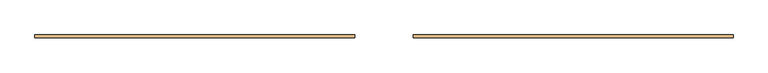
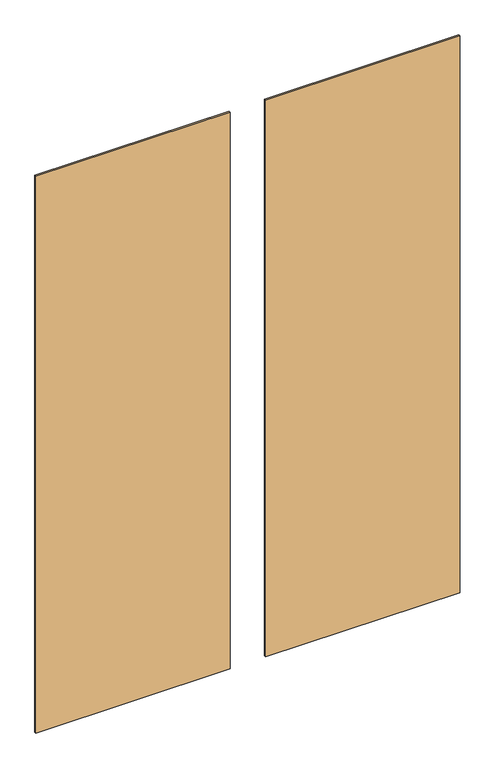
"""IFC4 building model written with IfcOpenShell, lengths in millimetres: door geometry."""

import ifcopenshell
import ifcopenshell.guid

model = None  # the IFC model being written
_history = None  # IfcOwnerHistory: only IFC2X3 demands one
_inside = {}  # id of a spatial element -> (the spatial element, [elements in it])
_under = {}  # id of a project, library or spatial element -> (it, [spatial elements below it])
_declared = {}  # id of a project -> (the project, [libraries it declares])
_typed = {}  # id of a type object -> (the type object, [elements of that type])
_made_of = {}  # id of a material, layer set ... -> (it, [elements and type objects made of it])


def new_model(schema):
    """Start an empty IFC model of exactly this schema.

    Asked for "IFC4X3", IfcOpenShell would pick the latest addendum, in which some entities
    have other attributes; the version numbers below select the first issue.
    IFC2X3 requires an IfcOwnerHistory on every rooted entity: one is made here for all.
    """
    global model, _history
    if schema == "IFC4X3":
        model = ifcopenshell.file(schema_version=(4, 3, 0, 0))
    else:
        model = ifcopenshell.file(schema=schema)
    _inside.clear()
    _under.clear()
    _declared.clear()
    _typed.clear()
    _made_of.clear()
    _history = None
    if model.schema == "IFC2X3":
        org = make("IfcOrganization", Name="unknown")
        user = make(
            "IfcPersonAndOrganization",
            ThePerson=make("IfcPerson", FamilyName="unknown"),
            TheOrganization=org,
        )
        app = make(
            "IfcApplication",
            ApplicationDeveloper=org,
            Version="unknown",
            ApplicationFullName="unknown",
            ApplicationIdentifier="unknown",
        )
        _history = make(
            "IfcOwnerHistory",
            OwningUser=user,
            OwningApplication=app,
            ChangeAction="ADDED",
            CreationDate=0,
        )
    return model


def make(cls, **values):
    """One entity of the class cls with the attributes given. An attribute that is None is left unset."""
    return model.create_entity(
        cls, **{name: value for name, value in values.items() if value is not None}
    )


def rooted(cls, **values):
    """An entity with a GlobalId (a new one), such as an element, a storey or a relation."""
    return make(cls, GlobalId=ifcopenshell.guid.new(), OwnerHistory=_history, **values)


def si_unit(unit_type, name, prefix=None):
    """IfcSIUnit, for example si_unit("LENGTHUNIT", "METRE", prefix="MILLI")."""
    return make("IfcSIUnit", UnitType=unit_type, Prefix=prefix, Name=name)


def assignment(units):
    """IfcUnitAssignment: the units of a project."""
    return None if units is None else make("IfcUnitAssignment", Units=units)


def point(xyz):
    """IfcCartesianPoint."""
    return None if xyz is None else make("IfcCartesianPoint", Coordinates=xyz)


def direction(xyz):
    """IfcDirection."""
    return None if xyz is None else make("IfcDirection", DirectionRatios=xyz)


def frame(location, z_axis=None, x_axis=None):
    """IfcAxis2Placement3D, a coordinate frame: its origin and axes. An axis left out is left unset."""
    return make(
        "IfcAxis2Placement3D",
        Location=point(location),
        Axis=direction(z_axis),
        RefDirection=direction(x_axis),
    )


def origin():
    """The frame at (0, 0, 0) with its axes left unset."""
    return frame((0.0, 0.0, 0.0))


def place(relative_to, where):
    """IfcLocalPlacement: puts the frame where relative to a parent placement (None: the world)."""
    return make(
        "IfcLocalPlacement", PlacementRelTo=relative_to, RelativePlacement=where
    )


def context(
    kind, dimensions, precision=None, world=None, true_north=None, identifier=None
):
    """IfcGeometricRepresentationContext, for example the 3D "Model" context."""
    return make(
        "IfcGeometricRepresentationContext",
        ContextIdentifier=identifier,
        ContextType=kind,
        CoordinateSpaceDimension=dimensions,
        Precision=precision,
        WorldCoordinateSystem=world,
        TrueNorth=true_north,
    )


def project(units=None, contexts=None):
    """IfcProject with its units and contexts."""
    return rooted(
        "IfcProject",
        Name="project",
        RepresentationContexts=contexts,
        UnitsInContext=assignment(units),
    )


def spatial(cls, under=None, at=None, **own):
    """A site, building, storey or space (cls), placed at a placement, below another one or the project."""
    s = rooted(cls, ObjectPlacement=at, **own)
    if under is not None:
        _under.setdefault(under.id(), (under, []))[1].append(s)
    return s


def polyline(points):
    """IfcPolyline through the points."""
    return make("IfcPolyline", Points=[point(p) for p in points])


def outline(outer, holes=None, kind="AREA"):
    """IfcArbitraryClosedProfileDef: a profile drawn as a closed curve; with holes, ...WithVoids."""
    if holes is None:
        return make("IfcArbitraryClosedProfileDef", ProfileType=kind, OuterCurve=outer)
    return make(
        "IfcArbitraryProfileDefWithVoids",
        ProfileType=kind,
        OuterCurve=outer,
        InnerCurves=holes,
    )


def extrude(swept, where, along, depth):
    """IfcExtrudedAreaSolid: the profile swept, set in the frame where, extruded along a direction by depth."""
    return make(
        "IfcExtrudedAreaSolid",
        SweptArea=swept,
        Position=where,
        ExtrudedDirection=direction(along),
        Depth=depth,
    )


def shape(context_of_items, identifier, shape_type, items):
    """IfcShapeRepresentation: the items that make up one representation, for example the "Body"."""
    return make(
        "IfcShapeRepresentation",
        ContextOfItems=context_of_items,
        RepresentationIdentifier=identifier,
        RepresentationType=shape_type,
        Items=items,
    )


def source(mapping_origin, context_of_items, identifier, shape_type, items):
    """IfcRepresentationMap: a shape defined once, which mapped items show again and again."""
    return make(
        "IfcRepresentationMap",
        MappingOrigin=mapping_origin,
        MappedRepresentation=shape(context_of_items, identifier, shape_type, items),
    )


def transform(
    local_origin,
    x_axis=None,
    y_axis=None,
    z_axis=None,
    scale=None,
    scale2=None,
    scale3=None,
    uniform=True,
):
    """IfcCartesianTransformationOperator3D, or its non-uniform kind. x_axis, y_axis, z_axis: its Axis1, 2, 3."""
    if uniform:
        return make(
            "IfcCartesianTransformationOperator3D",
            Axis1=direction(x_axis),
            Axis2=direction(y_axis),
            LocalOrigin=point(local_origin),
            Scale=scale,
            Axis3=direction(z_axis),
        )
    return make(
        "IfcCartesianTransformationOperator3DnonUniform",
        Axis1=direction(x_axis),
        Axis2=direction(y_axis),
        LocalOrigin=point(local_origin),
        Scale=scale,
        Axis3=direction(z_axis),
        Scale2=scale2,
        Scale3=scale3,
    )


def mapped(mapping_source, mapping_target):
    """IfcMappedItem: shows the shape of a source again, moved by a transform."""
    return make(
        "IfcMappedItem", MappingSource=mapping_source, MappingTarget=mapping_target
    )


def made_of(thing, what):
    """Note that an element or type object is made of a material, layer set ...; save() writes the relation."""
    if what is not None:
        _made_of.setdefault(what.id(), (what, []))[1].append(thing)
    return thing


def element(
    cls,
    number,
    at=None,
    inside=None,
    cuts=None,
    type_object=None,
    material=None,
    context=None,
    identifier="Body",
    shape_type=None,
    held_by="IfcProductDefinitionShape",
    body=None,
    shapes=None,
    **own,
):
    """One element of the class cls, such as IfcWall. Its Tag is "e" and its number.

    at: its placement. inside: the storey or other place that contains it. cuts: it is an
    opening in that element (IfcRelVoidsElement). A single representation is given by context,
    identifier, shape_type and body (its items); several are given by shapes. held_by: the class
    of the entity that holds the representations. save() writes the other relations.
    """
    e = rooted(cls, Tag="e%d" % number, ObjectPlacement=at, **own)
    if body is not None:
        shapes = [shape(context, identifier, shape_type, body)]
    if shapes is not None:
        e.Representation = make(held_by, Representations=shapes)
    if inside is not None:
        _inside.setdefault(inside.id(), (inside, []))[1].append(e)
    if cuts is not None:
        rooted(
            "IfcRelVoidsElement", RelatingBuildingElement=cuts, RelatedOpeningElement=e
        )
    if type_object is not None:
        _typed.setdefault(type_object.id(), (type_object, []))[1].append(e)
    return made_of(e, material)


def aggregate(whole, parts):
    """IfcRelAggregates: a whole, such as a stair, and the parts it consists of."""
    return rooted("IfcRelAggregates", RelatingObject=whole, RelatedObjects=parts)


def save(model, path):
    """Write the relations noted so far, then the file.

    IfcRelAggregates (storeys below a building ...), IfcRelContainedInSpatialStructure (elements
    in a storey), IfcRelDefinesByType, IfcRelAssociatesMaterial and IfcRelDeclares: one each for
    every whole, place, type object, material and project.
    """
    for whole, parts in _under.values():
        aggregate(whole, parts)
    for where, things in _inside.values():
        rooted(
            "IfcRelContainedInSpatialStructure",
            RelatedElements=things,
            RelatingStructure=where,
        )
    for kind, things in _typed.values():
        rooted("IfcRelDefinesByType", RelatedObjects=things, RelatingType=kind)
    for what, things in _made_of.values():
        rooted("IfcRelAssociatesMaterial", RelatedObjects=things, RelatingMaterial=what)
    for by, libraries in _declared.values():
        rooted("IfcRelDeclares", RelatingContext=by, RelatedDefinitions=libraries)
    model.write(path)


def door_974d89b6(model_context):
    return source(origin(), model_context, "Body", "SweptSolid", [
        extrude(outline(polyline([(60.0009619, 3.0), (712.8339524, 3.0), (712.8339524, -3.0), (60.0009619, -3.0), (60.0009619, 3.0)])), frame((0.0, 0.0, 129.4980773), z_axis=(0.0, 0.0, 1.0), x_axis=(1.0, 0.0, 0.0)), (0.0, 0.0, 1.0), 1978.1143357),
        extrude(outline(polyline([(-60.0009619, 3.0), (-60.0009619, -3.0), (-712.8339524, -3.0), (-712.8339524, 3.0), (-60.0009619, 3.0)])), frame((0.0, 0.0, 129.4980773), z_axis=(0.0, 0.0, 1.0), x_axis=(1.0, 0.0, 0.0)), (0.0, 0.0, 1.0), 1978.1143357),
    ])


if __name__ == "__main__":
    model = new_model("IFC4")
    model_context = context("Model", 3, world=origin())
    ifc_project = project(units=[si_unit("LENGTHUNIT", "METRE", prefix="MILLI")], contexts=[model_context])
    site = spatial("IfcSite", under=ifc_project)
    building = spatial("IfcBuilding", under=site)
    placement = place(None, origin())
    door_shape = door_974d89b6(model_context)
    element("IfcDoor", 1, at=placement, inside=building, context=model_context, shape_type="MappedRepresentation", body=[
        mapped(door_shape, transform((0.0, 0.0, 0.0), x_axis=(1.0, 0.0, 0.0), y_axis=(0.0, 1.0, 0.0), z_axis=(0.0, 0.0, 1.0))),
    ])
    save(model, "model.ifc")
